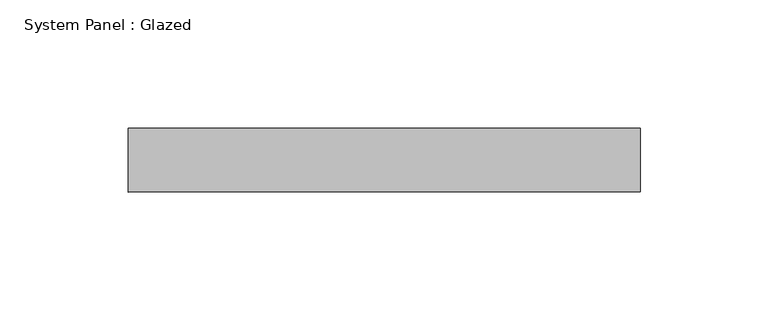
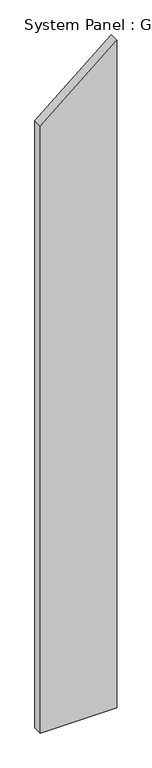
"""IFC4 building model written with IfcOpenShell, lengths in millimetres: plate geometry, System Panel : Glazed."""

import ifcopenshell
import ifcopenshell.guid

model = None  # the IFC model being written
_history = None  # IfcOwnerHistory: only IFC2X3 demands one
_inside = {}  # id of a spatial element -> (the spatial element, [elements in it])
_under = {}  # id of a project, library or spatial element -> (it, [spatial elements below it])
_declared = {}  # id of a project -> (the project, [libraries it declares])
_typed = {}  # id of a type object -> (the type object, [elements of that type])
_made_of = {}  # id of a material, layer set ... -> (it, [elements and type objects made of it])


def new_model(schema):
    """Start an empty IFC model of exactly this schema.

    Asked for "IFC4X3", IfcOpenShell would pick the latest addendum, in which some entities
    have other attributes; the version numbers below select the first issue.
    IFC2X3 requires an IfcOwnerHistory on every rooted entity: one is made here for all.
    """
    global model, _history
    if schema == "IFC4X3":
        model = ifcopenshell.file(schema_version=(4, 3, 0, 0))
    else:
        model = ifcopenshell.file(schema=schema)
    _inside.clear()
    _under.clear()
    _declared.clear()
    _typed.clear()
    _made_of.clear()
    _history = None
    if model.schema == "IFC2X3":
        org = make("IfcOrganization", Name="unknown")
        user = make(
            "IfcPersonAndOrganization",
            ThePerson=make("IfcPerson", FamilyName="unknown"),
            TheOrganization=org,
        )
        app = make(
            "IfcApplication",
            ApplicationDeveloper=org,
            Version="unknown",
            ApplicationFullName="unknown",
            ApplicationIdentifier="unknown",
        )
        _history = make(
            "IfcOwnerHistory",
            OwningUser=user,
            OwningApplication=app,
            ChangeAction="ADDED",
            CreationDate=0,
        )
    return model


def make(cls, **values):
    """One entity of the class cls with the attributes given. An attribute that is None is left unset."""
    return model.create_entity(
        cls, **{name: value for name, value in values.items() if value is not None}
    )


def rooted(cls, **values):
    """An entity with a GlobalId (a new one), such as an element, a storey or a relation."""
    return make(cls, GlobalId=ifcopenshell.guid.new(), OwnerHistory=_history, **values)


def si_unit(unit_type, name, prefix=None):
    """IfcSIUnit, for example si_unit("LENGTHUNIT", "METRE", prefix="MILLI")."""
    return make("IfcSIUnit", UnitType=unit_type, Prefix=prefix, Name=name)


def assignment(units):
    """IfcUnitAssignment: the units of a project."""
    return None if units is None else make("IfcUnitAssignment", Units=units)


def point(xyz):
    """IfcCartesianPoint."""
    return None if xyz is None else make("IfcCartesianPoint", Coordinates=xyz)


def direction(xyz):
    """IfcDirection."""
    return None if xyz is None else make("IfcDirection", DirectionRatios=xyz)


def frame(location, z_axis=None, x_axis=None):
    """IfcAxis2Placement3D, a coordinate frame: its origin and axes. An axis left out is left unset."""
    return make(
        "IfcAxis2Placement3D",
        Location=point(location),
        Axis=direction(z_axis),
        RefDirection=direction(x_axis),
    )


def origin():
    """The frame at (0, 0, 0) with its axes left unset."""
    return frame((0.0, 0.0, 0.0))


def place(relative_to, where):
    """IfcLocalPlacement: puts the frame where relative to a parent placement (None: the world)."""
    return make(
        "IfcLocalPlacement", PlacementRelTo=relative_to, RelativePlacement=where
    )


def context(
    kind, dimensions, precision=None, world=None, true_north=None, identifier=None
):
    """IfcGeometricRepresentationContext, for example the 3D "Model" context."""
    return make(
        "IfcGeometricRepresentationContext",
        ContextIdentifier=identifier,
        ContextType=kind,
        CoordinateSpaceDimension=dimensions,
        Precision=precision,
        WorldCoordinateSystem=world,
        TrueNorth=true_north,
    )


def project(units=None, contexts=None):
    """IfcProject with its units and contexts."""
    return rooted(
        "IfcProject",
        Name="project",
        RepresentationContexts=contexts,
        UnitsInContext=assignment(units),
    )


def spatial(cls, under=None, at=None, **own):
    """A site, building, storey or space (cls), placed at a placement, below another one or the project."""
    s = rooted(cls, ObjectPlacement=at, **own)
    if under is not None:
        _under.setdefault(under.id(), (under, []))[1].append(s)
    return s


def polyline(points):
    """IfcPolyline through the points."""
    return make("IfcPolyline", Points=[point(p) for p in points])


def outline(outer, holes=None, kind="AREA"):
    """IfcArbitraryClosedProfileDef: a profile drawn as a closed curve; with holes, ...WithVoids."""
    if holes is None:
        return make("IfcArbitraryClosedProfileDef", ProfileType=kind, OuterCurve=outer)
    return make(
        "IfcArbitraryProfileDefWithVoids",
        ProfileType=kind,
        OuterCurve=outer,
        InnerCurves=holes,
    )


def extrude(swept, where, along, depth):
    """IfcExtrudedAreaSolid: the profile swept, set in the frame where, extruded along a direction by depth."""
    return make(
        "IfcExtrudedAreaSolid",
        SweptArea=swept,
        Position=where,
        ExtrudedDirection=direction(along),
        Depth=depth,
    )


def shape(context_of_items, identifier, shape_type, items):
    """IfcShapeRepresentation: the items that make up one representation, for example the "Body"."""
    return make(
        "IfcShapeRepresentation",
        ContextOfItems=context_of_items,
        RepresentationIdentifier=identifier,
        RepresentationType=shape_type,
        Items=items,
    )


def source(mapping_origin, context_of_items, identifier, shape_type, items):
    """IfcRepresentationMap: a shape defined once, which mapped items show again and again."""
    return make(
        "IfcRepresentationMap",
        MappingOrigin=mapping_origin,
        MappedRepresentation=shape(context_of_items, identifier, shape_type, items),
    )


def transform(
    local_origin,
    x_axis=None,
    y_axis=None,
    z_axis=None,
    scale=None,
    scale2=None,
    scale3=None,
    uniform=True,
):
    """IfcCartesianTransformationOperator3D, or its non-uniform kind. x_axis, y_axis, z_axis: its Axis1, 2, 3."""
    if uniform:
        return make(
            "IfcCartesianTransformationOperator3D",
            Axis1=direction(x_axis),
            Axis2=direction(y_axis),
            LocalOrigin=point(local_origin),
            Scale=scale,
            Axis3=direction(z_axis),
        )
    return make(
        "IfcCartesianTransformationOperator3DnonUniform",
        Axis1=direction(x_axis),
        Axis2=direction(y_axis),
        LocalOrigin=point(local_origin),
        Scale=scale,
        Axis3=direction(z_axis),
        Scale2=scale2,
        Scale3=scale3,
    )


def mapped(mapping_source, mapping_target):
    """IfcMappedItem: shows the shape of a source again, moved by a transform."""
    return make(
        "IfcMappedItem", MappingSource=mapping_source, MappingTarget=mapping_target
    )


def made_of(thing, what):
    """Note that an element or type object is made of a material, layer set ...; save() writes the relation."""
    if what is not None:
        _made_of.setdefault(what.id(), (what, []))[1].append(thing)
    return thing


def element(
    cls,
    number,
    at=None,
    inside=None,
    cuts=None,
    type_object=None,
    material=None,
    context=None,
    identifier="Body",
    shape_type=None,
    held_by="IfcProductDefinitionShape",
    body=None,
    shapes=None,
    **own,
):
    """One element of the class cls, such as IfcWall. Its Tag is "e" and its number.

    at: its placement. inside: the storey or other place that contains it. cuts: it is an
    opening in that element (IfcRelVoidsElement). A single representation is given by context,
    identifier, shape_type and body (its items); several are given by shapes. held_by: the class
    of the entity that holds the representations. save() writes the other relations.
    """
    e = rooted(cls, Tag="e%d" % number, ObjectPlacement=at, **own)
    if body is not None:
        shapes = [shape(context, identifier, shape_type, body)]
    if shapes is not None:
        e.Representation = make(held_by, Representations=shapes)
    if inside is not None:
        _inside.setdefault(inside.id(), (inside, []))[1].append(e)
    if cuts is not None:
        rooted(
            "IfcRelVoidsElement", RelatingBuildingElement=cuts, RelatedOpeningElement=e
        )
    if type_object is not None:
        _typed.setdefault(type_object.id(), (type_object, []))[1].append(e)
    return made_of(e, material)


def aggregate(whole, parts):
    """IfcRelAggregates: a whole, such as a stair, and the parts it consists of."""
    return rooted("IfcRelAggregates", RelatingObject=whole, RelatedObjects=parts)


def save(model, path):
    """Write the relations noted so far, then the file.

    IfcRelAggregates (storeys below a building ...), IfcRelContainedInSpatialStructure (elements
    in a storey), IfcRelDefinesByType, IfcRelAssociatesMaterial and IfcRelDeclares: one each for
    every whole, place, type object, material and project.
    """
    for whole, parts in _under.values():
        aggregate(whole, parts)
    for where, things in _inside.values():
        rooted(
            "IfcRelContainedInSpatialStructure",
            RelatedElements=things,
            RelatingStructure=where,
        )
    for kind, things in _typed.values():
        rooted("IfcRelDefinesByType", RelatedObjects=things, RelatingType=kind)
    for what, things in _made_of.values():
        rooted("IfcRelAssociatesMaterial", RelatedObjects=things, RelatingMaterial=what)
    for by, libraries in _declared.values():
        rooted("IfcRelDeclares", RelatingContext=by, RelatedDefinitions=libraries)
    model.write(path)


def system_panel_glazed_664e012e(model_context):
    return source(origin(), model_context, "Body", "SweptSolid", [
        extrude(outline(polyline([(0.0, -100.0), (0.0, 100.0), (1846.0191888, 100.0), (1678.1992626, -100.0), (0.0, -100.0)])), frame((0.0, 24.5, 0.0), z_axis=(0.0, 1.0, 0.0), x_axis=(0.0, 0.0, 1.0)), (0.0, 0.0, 1.0), 25.0),
    ])


if __name__ == "__main__":
    model = new_model("IFC4")
    model_context = context("Model", 3, world=origin())
    ifc_project = project(units=[si_unit("LENGTHUNIT", "METRE", prefix="MILLI")], contexts=[model_context])
    site = spatial("IfcSite", under=ifc_project)
    building = spatial("IfcBuilding", under=site)
    placement = place(None, origin())
    system_panel_glazed_shape = system_panel_glazed_664e012e(model_context)
    element("IfcPlate", 1, ObjectType="System Panel : Glazed", at=placement, inside=building, context=model_context, shape_type="MappedRepresentation", body=[
        mapped(system_panel_glazed_shape, transform((0.0, 0.0, 0.0), x_axis=(1.0, 0.0, 0.0), y_axis=(0.0, 1.0, 0.0), z_axis=(0.0, 0.0, 1.0))),
    ])
    save(model, "model.ifc")
